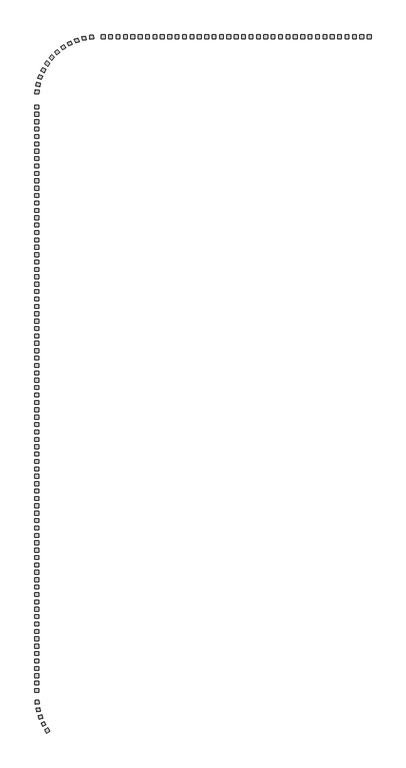
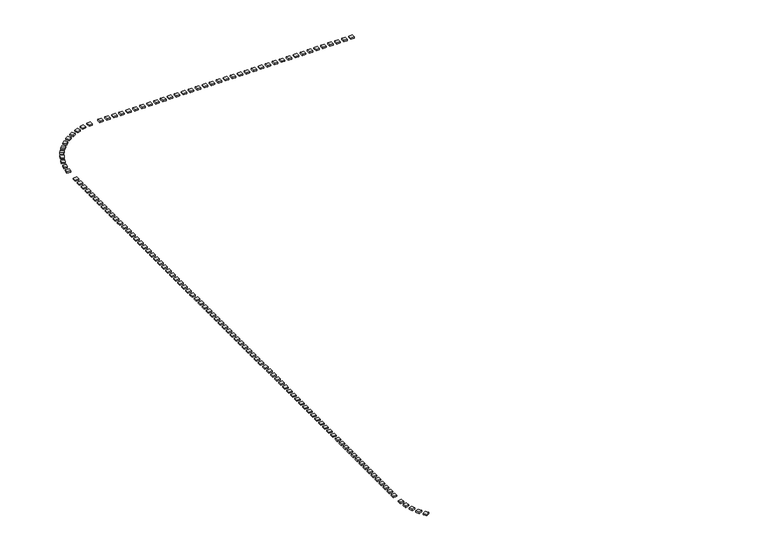
"""IFC4 building model written with IfcOpenShell, lengths in millimetres: railing geometry."""

from ifc_helpers import new_model, si_unit, origin, origin_with_axes, place, context, project, spatial, polyline, outline, extrude, source, transform, mapped, element, save


def railing_7d5e691c(model_context):
    return source(origin(), model_context, "Body", "SweptSolid", [
        extrude(outline(polyline([(-32631.1414863, -258754.0566268), (-32631.1414863, -259254.0566268), (-33131.1414863, -259254.0566268), (-33131.1414863, -258754.0566268), (-32631.1414863, -258754.0566268)])), origin_with_axes(), (0.0, 0.0, 1.0), 200.0),
        extrude(outline(polyline([(-33631.1414863, -258754.0566268), (-33631.1414863, -259254.0566268), (-34131.1414863, -259254.0566268), (-34131.1414863, -258754.0566268), (-33631.1414863, -258754.0566268)])), origin_with_axes(), (0.0, 0.0, 1.0), 200.0),
        extrude(outline(polyline([(-34631.1414863, -258754.0566268), (-34631.1414863, -259254.0566268), (-35131.1414863, -259254.0566268), (-35131.1414863, -258754.0566268), (-34631.1414863, -258754.0566268)])), origin_with_axes(), (0.0, 0.0, 1.0), 200.0),
        extrude(outline(polyline([(-35631.1414863, -258754.0566268), (-35631.1414863, -259254.0566268), (-36131.1414863, -259254.0566268), (-36131.1414863, -258754.0566268), (-35631.1414863, -258754.0566268)])), origin_with_axes(), (0.0, 0.0, 1.0), 200.0),
        extrude(outline(polyline([(-36631.1414863, -258754.0566268), (-36631.1414863, -259254.0566268), (-37131.1414863, -259254.0566268), (-37131.1414863, -258754.0566268), (-36631.1414863, -258754.0566268)])), origin_with_axes(), (0.0, 0.0, 1.0), 200.0),
        extrude(outline(polyline([(-37631.1414863, -258754.0566268), (-37631.1414863, -259254.0566268), (-38131.1414863, -259254.0566268), (-38131.1414863, -258754.0566268), (-37631.1414863, -258754.0566268)])), origin_with_axes(), (0.0, 0.0, 1.0), 200.0),
        extrude(outline(polyline([(-38631.1414863, -258754.0566268), (-38631.1414863, -259254.0566268), (-39131.1414863, -259254.0566268), (-39131.1414863, -258754.0566268), (-38631.1414863, -258754.0566268)])), origin_with_axes(), (0.0, 0.0, 1.0), 200.0),
        extrude(outline(polyline([(-39631.1414863, -258754.0566268), (-39631.1414863, -259254.0566268), (-40131.1414863, -259254.0566268), (-40131.1414863, -258754.0566268), (-39631.1414863, -258754.0566268)])), origin_with_axes(), (0.0, 0.0, 1.0), 200.0),
        extrude(outline(polyline([(-40631.1414863, -258754.0566268), (-40631.1414863, -259254.0566268), (-41131.1414863, -259254.0566268), (-41131.1414863, -258754.0566268), (-40631.1414863, -258754.0566268)])), origin_with_axes(), (0.0, 0.0, 1.0), 200.0),
        extrude(outline(polyline([(-41631.1414863, -258754.0566268), (-41631.1414863, -259254.0566268), (-42131.1414863, -259254.0566268), (-42131.1414863, -258754.0566268), (-41631.1414863, -258754.0566268)])), origin_with_axes(), (0.0, 0.0, 1.0), 200.0),
        extrude(outline(polyline([(-42631.1414863, -258754.0566268), (-42631.1414863, -259254.0566268), (-43131.1414863, -259254.0566268), (-43131.1414863, -258754.0566268), (-42631.1414863, -258754.0566268)])), origin_with_axes(), (0.0, 0.0, 1.0), 200.0),
        extrude(outline(polyline([(-43631.1414863, -258754.0566268), (-43631.1414863, -259254.0566268), (-44131.1414863, -259254.0566268), (-44131.1414863, -258754.0566268), (-43631.1414863, -258754.0566268)])), origin_with_axes(), (0.0, 0.0, 1.0), 200.0),
        extrude(outline(polyline([(-44631.1414863, -258754.0566268), (-44631.1414863, -259254.0566268), (-45131.1414863, -259254.0566268), (-45131.1414863, -258754.0566268), (-44631.1414863, -258754.0566268)])), origin_with_axes(), (0.0, 0.0, 1.0), 200.0),
        extrude(outline(polyline([(-45631.1414863, -258754.0566268), (-45631.1414863, -259254.0566268), (-46131.1414863, -259254.0566268), (-46131.1414863, -258754.0566268), (-45631.1414863, -258754.0566268)])), origin_with_axes(), (0.0, 0.0, 1.0), 200.0),
        extrude(outline(polyline([(-46631.1414863, -258754.0566268), (-46631.1414863, -259254.0566268), (-47131.1414863, -259254.0566268), (-47131.1414863, -258754.0566268), (-46631.1414863, -258754.0566268)])), origin_with_axes(), (0.0, 0.0, 1.0), 200.0),
        extrude(outline(polyline([(-47631.1414863, -258754.0566268), (-47631.1414863, -259254.0566268), (-48131.1414863, -259254.0566268), (-48131.1414863, -258754.0566268), (-47631.1414863, -258754.0566268)])), origin_with_axes(), (0.0, 0.0, 1.0), 200.0),
        extrude(outline(polyline([(-48631.1414863, -258754.0566268), (-48631.1414863, -259254.0566268), (-49131.1414863, -259254.0566268), (-49131.1414863, -258754.0566268), (-48631.1414863, -258754.0566268)])), origin_with_axes(), (0.0, 0.0, 1.0), 200.0),
        extrude(outline(polyline([(-49631.1414863, -258754.0566268), (-49631.1414863, -259254.0566268), (-50131.1414863, -259254.0566268), (-50131.1414863, -258754.0566268), (-49631.1414863, -258754.0566268)])), origin_with_axes(), (0.0, 0.0, 1.0), 200.0),
        extrude(outline(polyline([(-50631.1414863, -258754.0566268), (-50631.1414863, -259254.0566268), (-51131.1414863, -259254.0566268), (-51131.1414863, -258754.0566268), (-50631.1414863, -258754.0566268)])), origin_with_axes(), (0.0, 0.0, 1.0), 200.0),
        extrude(outline(polyline([(-51631.1414863, -258754.0566268), (-51631.1414863, -259254.0566268), (-52131.1414863, -259254.0566268), (-52131.1414863, -258754.0566268), (-51631.1414863, -258754.0566268)])), origin_with_axes(), (0.0, 0.0, 1.0), 200.0),
        extrude(outline(polyline([(-52631.1414863, -258754.0566268), (-52631.1414863, -259254.0566268), (-53131.1414863, -259254.0566268), (-53131.1414863, -258754.0566268), (-52631.1414863, -258754.0566268)])), origin_with_axes(), (0.0, 0.0, 1.0), 200.0),
        extrude(outline(polyline([(-53631.1414863, -258754.0566268), (-53631.1414863, -259254.0566268), (-54131.1414863, -259254.0566268), (-54131.1414863, -258754.0566268), (-53631.1414863, -258754.0566268)])), origin_with_axes(), (0.0, 0.0, 1.0), 200.0),
        extrude(outline(polyline([(-54631.1414863, -258754.0566268), (-54631.1414863, -259254.0566268), (-55131.1414863, -259254.0566268), (-55131.1414863, -258754.0566268), (-54631.1414863, -258754.0566268)])), origin_with_axes(), (0.0, 0.0, 1.0), 200.0),
        extrude(outline(polyline([(-55631.1414863, -258754.0566268), (-55631.1414863, -259254.0566268), (-56131.1414863, -259254.0566268), (-56131.1414863, -258754.0566268), (-55631.1414863, -258754.0566268)])), origin_with_axes(), (0.0, 0.0, 1.0), 200.0),
        extrude(outline(polyline([(-56631.1414863, -258754.0566268), (-56631.1414863, -259254.0566268), (-57131.1414863, -259254.0566268), (-57131.1414863, -258754.0566268), (-56631.1414863, -258754.0566268)])), origin_with_axes(), (0.0, 0.0, 1.0), 200.0),
        extrude(outline(polyline([(-57631.1414863, -258754.0566268), (-57631.1414863, -259254.0566268), (-58131.1414863, -259254.0566268), (-58131.1414863, -258754.0566268), (-57631.1414863, -258754.0566268)])), origin_with_axes(), (0.0, 0.0, 1.0), 200.0),
        extrude(outline(polyline([(-58631.1414863, -258754.0566268), (-58631.1414863, -259254.0566268), (-59131.1414863, -259254.0566268), (-59131.1414863, -258754.0566268), (-58631.1414863, -258754.0566268)])), origin_with_axes(), (0.0, 0.0, 1.0), 200.0),
        extrude(outline(polyline([(-59631.1414863, -258754.0566268), (-59631.1414863, -259254.0566268), (-60131.1414863, -259254.0566268), (-60131.1414863, -258754.0566268), (-59631.1414863, -258754.0566268)])), origin_with_axes(), (0.0, 0.0, 1.0), 200.0),
        extrude(outline(polyline([(-60631.1414863, -258754.0566268), (-60631.1414863, -259254.0566268), (-61131.1414863, -259254.0566268), (-61131.1414863, -258754.0566268), (-60631.1414863, -258754.0566268)])), origin_with_axes(), (0.0, 0.0, 1.0), 200.0),
        extrude(outline(polyline([(-61631.1414863, -258754.0566268), (-61631.1414863, -259254.0566268), (-62131.1414863, -259254.0566268), (-62131.1414863, -258754.0566268), (-61631.1414863, -258754.0566268)])), origin_with_axes(), (0.0, 0.0, 1.0), 200.0),
        extrude(outline(polyline([(-62631.1414863, -258754.0566268), (-62631.1414863, -259254.0566268), (-63131.1414863, -259254.0566268), (-63131.1414863, -258754.0566268), (-62631.1414863, -258754.0566268)])), origin_with_axes(), (0.0, 0.0, 1.0), 200.0),
        extrude(outline(polyline([(-63631.1414863, -258754.0566268), (-63631.1414863, -259254.0566268), (-64131.1414863, -259254.0566268), (-64131.1414863, -258754.0566268), (-63631.1414863, -258754.0566268)])), origin_with_axes(), (0.0, 0.0, 1.0), 200.0),
        extrude(outline(polyline([(-64631.1414863, -258754.0566268), (-64631.1414863, -259254.0566268), (-65131.1414863, -259254.0566268), (-65131.1414863, -258754.0566268), (-64631.1414863, -258754.0566268)])), origin_with_axes(), (0.0, 0.0, 1.0), 200.0),
        extrude(outline(polyline([(-65631.1414863, -258754.0566268), (-65631.1414863, -259254.0566268), (-66131.1414863, -259254.0566268), (-66131.1414863, -258754.0566268), (-65631.1414863, -258754.0566268)])), origin_with_axes(), (0.0, 0.0, 1.0), 200.0),
        extrude(outline(polyline([(-66631.1414863, -258754.0566268), (-66631.1414863, -259254.0566268), (-67131.1414863, -259254.0566268), (-67131.1414863, -258754.0566268), (-66631.1414863, -258754.0566268)])), origin_with_axes(), (0.0, 0.0, 1.0), 200.0),
        extrude(outline(polyline([(-67631.1414863, -258754.0566268), (-67631.1414863, -259254.0566268), (-68131.1414863, -259254.0566268), (-68131.1414863, -258754.0566268), (-67631.1414863, -258754.0566268)])), origin_with_axes(), (0.0, 0.0, 1.0), 200.0),
        extrude(outline(polyline([(-68631.1414863, -258754.0566268), (-68631.1414863, -259254.0566268), (-69131.1414863, -259254.0566268), (-69131.1414863, -258754.0566268), (-68631.1414863, -258754.0566268)])), origin_with_axes(), (0.0, 0.0, 1.0), 200.0),
        extrude(outline(polyline([(-70232.4077004, -258775.3492407), (-70197.0390996, -259274.096734), (-70695.7865929, -259309.4653348), (-70731.1551937, -258810.7178415), (-70232.4077004, -258775.3492407)])), origin_with_axes(), (0.0, 0.0, 1.0), 200.0),
        extrude(outline(polyline([(-71284.7970042, -258916.4656421), (-71187.5231502, -259406.9121706), (-71677.9696787, -259504.1860246), (-71775.2435327, -259013.7394961), (-71284.7970042, -258916.4656421)])), origin_with_axes(), (0.0, 0.0, 1.0), 200.0),
        extrude(outline(polyline([(-72311.3815666, -259187.6873623), (-72153.7203854, -259662.1796719), (-72628.2126951, -259819.8408531), (-72785.8738763, -259345.3485435), (-72311.3815666, -259187.6873623)])), origin_with_axes(), (0.0, 0.0, 1.0), 200.0),
        extrude(outline(polyline([(-73296.1418791, -259584.7820769), (-73080.5536207, -260035.915874), (-73531.6874177, -260251.5041324), (-73747.2756761, -259800.3703353), (-73296.1418791, -259584.7820769)])), origin_with_axes(), (0.0, 0.0, 1.0), 200.0),
        extrude(outline(polyline([(-74223.7110861, -260101.5532559), (-73953.5599332, -260522.2887483), (-74374.2954256, -260792.4399013), (-74644.4465785, -260371.7044089), (-74223.7110861, -260101.5532559)])), origin_with_axes(), (0.0, 0.0, 1.0), 200.0),
        extrude(outline(polyline([(-75079.6147807, -260729.9368578), (-74759.1163516, -261113.7086089), (-75142.8881027, -261434.207038), (-75463.3865318, -261050.4352869), (-75079.6147807, -260729.9368578)])), origin_with_axes(), (0.0, 0.0, 1.0), 200.0),
        extrude(outline(polyline([(-75850.4968717, -261460.1271666), (-75484.6524373, -261800.9465466), (-75825.4718173, -262166.790981), (-76191.3162517, -261825.971601), (-75850.4968717, -261460.1271666)])), origin_with_axes(), (0.0, 0.0, 1.0), 200.0),
        extrude(outline(polyline([(-76524.3280021, -262280.7298068), (-76118.8464423, -262573.2784433), (-76411.3950788, -262978.760003), (-76816.8766385, -262686.2113665), (-76524.3280021, -262280.7298068)])), origin_with_axes(), (0.0, 0.0, 1.0), 200.0),
        extrude(outline(polyline([(-77090.5932623, -263178.9395487), (-76651.8019814, -263418.652318), (-76891.5147507, -263857.4435989), (-77330.3060316, -263617.7308296), (-77090.5932623, -263178.9395487)])), origin_with_axes(), (0.0, 0.0, 1.0), 200.0),
        extrude(outline(polyline([(-77540.4562725, -264140.7401296), (-77075.2024616, -264323.8763941), (-77258.3387261, -264789.1302051), (-77723.5925371, -264605.9939405), (-77540.4562725, -264140.7401296)])), origin_with_axes(), (0.0, 0.0, 1.0), 200.0),
        extrude(outline(polyline([(-77866.8970708, -265151.1229731), (-77382.44086, -265274.8249527), (-77506.1428396, -265759.2811636), (-77990.5990504, -265635.579184), (-77866.8970708, -265151.1229731)])), origin_with_axes(), (0.0, 0.0, 1.0), 200.0),
        extrude(outline(polyline([(-78064.8216577, -266194.321393), (-77568.7228241, -266256.6587597), (-77631.0601908, -266752.7575933), (-78127.1590244, -266690.4202266), (-78064.8216577, -266194.321393)])), origin_with_axes(), (0.0, 0.0, 1.0), 200.0),
        extrude(outline(polyline([(-78131.1414863, -268254.0566268), (-77631.1414863, -268254.0566268), (-77631.1414863, -268754.0566268), (-78131.1414863, -268754.0566268), (-78131.1414863, -268254.0566268)])), origin_with_axes(), (0.0, 0.0, 1.0), 200.0),
        extrude(outline(polyline([(-78131.1414863, -269254.0566268), (-77631.1414863, -269254.0566268), (-77631.1414863, -269754.0566268), (-78131.1414863, -269754.0566268), (-78131.1414863, -269254.0566268)])), origin_with_axes(), (0.0, 0.0, 1.0), 200.0),
        extrude(outline(polyline([(-78131.1414863, -270254.0566268), (-77631.1414863, -270254.0566268), (-77631.1414863, -270754.0566268), (-78131.1414863, -270754.0566268), (-78131.1414863, -270254.0566268)])), origin_with_axes(), (0.0, 0.0, 1.0), 200.0),
        extrude(outline(polyline([(-78131.1414863, -271254.0566268), (-77631.1414863, -271254.0566268), (-77631.1414863, -271754.0566268), (-78131.1414863, -271754.0566268), (-78131.1414863, -271254.0566268)])), origin_with_axes(), (0.0, 0.0, 1.0), 200.0),
        extrude(outline(polyline([(-78131.1414863, -272254.0566268), (-77631.1414863, -272254.0566268), (-77631.1414863, -272754.0566268), (-78131.1414863, -272754.0566268), (-78131.1414863, -272254.0566268)])), origin_with_axes(), (0.0, 0.0, 1.0), 200.0),
        extrude(outline(polyline([(-78131.1414863, -273254.0566268), (-77631.1414863, -273254.0566268), (-77631.1414863, -273754.0566268), (-78131.1414863, -273754.0566268), (-78131.1414863, -273254.0566268)])), origin_with_axes(), (0.0, 0.0, 1.0), 200.0),
        extrude(outline(polyline([(-78131.1414863, -274254.0566268), (-77631.1414863, -274254.0566268), (-77631.1414863, -274754.0566268), (-78131.1414863, -274754.0566268), (-78131.1414863, -274254.0566268)])), origin_with_axes(), (0.0, 0.0, 1.0), 200.0),
        extrude(outline(polyline([(-78131.1414863, -275254.0566268), (-77631.1414863, -275254.0566268), (-77631.1414863, -275754.0566268), (-78131.1414863, -275754.0566268), (-78131.1414863, -275254.0566268)])), origin_with_axes(), (0.0, 0.0, 1.0), 200.0),
        extrude(outline(polyline([(-78131.1414863, -276254.0566268), (-77631.1414863, -276254.0566268), (-77631.1414863, -276754.0566268), (-78131.1414863, -276754.0566268), (-78131.1414863, -276254.0566268)])), origin_with_axes(), (0.0, 0.0, 1.0), 200.0),
        extrude(outline(polyline([(-78131.1414863, -277254.0566268), (-77631.1414863, -277254.0566268), (-77631.1414863, -277754.0566268), (-78131.1414863, -277754.0566268), (-78131.1414863, -277254.0566268)])), origin_with_axes(), (0.0, 0.0, 1.0), 200.0),
        extrude(outline(polyline([(-78131.1414863, -278254.0566268), (-77631.1414863, -278254.0566268), (-77631.1414863, -278754.0566268), (-78131.1414863, -278754.0566268), (-78131.1414863, -278254.0566268)])), origin_with_axes(), (0.0, 0.0, 1.0), 200.0),
        extrude(outline(polyline([(-78131.1414863, -279254.0566268), (-77631.1414863, -279254.0566268), (-77631.1414863, -279754.0566268), (-78131.1414863, -279754.0566268), (-78131.1414863, -279254.0566268)])), origin_with_axes(), (0.0, 0.0, 1.0), 200.0),
        extrude(outline(polyline([(-78131.1414863, -280254.0566268), (-77631.1414863, -280254.0566268), (-77631.1414863, -280754.0566268), (-78131.1414863, -280754.0566268), (-78131.1414863, -280254.0566268)])), origin_with_axes(), (0.0, 0.0, 1.0), 200.0),
        extrude(outline(polyline([(-78131.1414863, -281254.0566268), (-77631.1414863, -281254.0566268), (-77631.1414863, -281754.0566268), (-78131.1414863, -281754.0566268), (-78131.1414863, -281254.0566268)])), origin_with_axes(), (0.0, 0.0, 1.0), 200.0),
        extrude(outline(polyline([(-78131.1414863, -282254.0566268), (-77631.1414863, -282254.0566268), (-77631.1414863, -282754.0566268), (-78131.1414863, -282754.0566268), (-78131.1414863, -282254.0566268)])), origin_with_axes(), (0.0, 0.0, 1.0), 200.0),
        extrude(outline(polyline([(-78131.1414863, -283254.0566268), (-77631.1414863, -283254.0566268), (-77631.1414863, -283754.0566268), (-78131.1414863, -283754.0566268), (-78131.1414863, -283254.0566268)])), origin_with_axes(), (0.0, 0.0, 1.0), 200.0),
        extrude(outline(polyline([(-78131.1414863, -284254.0566268), (-77631.1414863, -284254.0566268), (-77631.1414863, -284754.0566268), (-78131.1414863, -284754.0566268), (-78131.1414863, -284254.0566268)])), origin_with_axes(), (0.0, 0.0, 1.0), 200.0),
        extrude(outline(polyline([(-78131.1414863, -285254.0566268), (-77631.1414863, -285254.0566268), (-77631.1414863, -285754.0566268), (-78131.1414863, -285754.0566268), (-78131.1414863, -285254.0566268)])), origin_with_axes(), (0.0, 0.0, 1.0), 200.0),
        extrude(outline(polyline([(-78131.1414863, -286254.0566268), (-77631.1414863, -286254.0566268), (-77631.1414863, -286754.0566268), (-78131.1414863, -286754.0566268), (-78131.1414863, -286254.0566268)])), origin_with_axes(), (0.0, 0.0, 1.0), 200.0),
        extrude(outline(polyline([(-78131.1414863, -287254.0566268), (-77631.1414863, -287254.0566268), (-77631.1414863, -287754.0566268), (-78131.1414863, -287754.0566268), (-78131.1414863, -287254.0566268)])), origin_with_axes(), (0.0, 0.0, 1.0), 200.0),
        extrude(outline(polyline([(-78131.1414863, -288254.0566268), (-77631.1414863, -288254.0566268), (-77631.1414863, -288754.0566268), (-78131.1414863, -288754.0566268), (-78131.1414863, -288254.0566268)])), origin_with_axes(), (0.0, 0.0, 1.0), 200.0),
        extrude(outline(polyline([(-78131.1414863, -289254.0566268), (-77631.1414863, -289254.0566268), (-77631.1414863, -289754.0566268), (-78131.1414863, -289754.0566268), (-78131.1414863, -289254.0566268)])), origin_with_axes(), (0.0, 0.0, 1.0), 200.0),
        extrude(outline(polyline([(-78131.1414863, -290254.0566268), (-77631.1414863, -290254.0566268), (-77631.1414863, -290754.0566268), (-78131.1414863, -290754.0566268), (-78131.1414863, -290254.0566268)])), origin_with_axes(), (0.0, 0.0, 1.0), 200.0),
        extrude(outline(polyline([(-78131.1414863, -291254.0566268), (-77631.1414863, -291254.0566268), (-77631.1414863, -291754.0566268), (-78131.1414863, -291754.0566268), (-78131.1414863, -291254.0566268)])), origin_with_axes(), (0.0, 0.0, 1.0), 200.0),
        extrude(outline(polyline([(-78131.1414863, -292254.0566268), (-77631.1414863, -292254.0566268), (-77631.1414863, -292754.0566268), (-78131.1414863, -292754.0566268), (-78131.1414863, -292254.0566268)])), origin_with_axes(), (0.0, 0.0, 1.0), 200.0),
        extrude(outline(polyline([(-78131.1414863, -293254.0566268), (-77631.1414863, -293254.0566268), (-77631.1414863, -293754.0566268), (-78131.1414863, -293754.0566268), (-78131.1414863, -293254.0566268)])), origin_with_axes(), (0.0, 0.0, 1.0), 200.0),
        extrude(outline(polyline([(-78131.1414863, -294254.0566268), (-77631.1414863, -294254.0566268), (-77631.1414863, -294754.0566268), (-78131.1414863, -294754.0566268), (-78131.1414863, -294254.0566268)])), origin_with_axes(), (0.0, 0.0, 1.0), 200.0),
        extrude(outline(polyline([(-78131.1414863, -295254.0566268), (-77631.1414863, -295254.0566268), (-77631.1414863, -295754.0566268), (-78131.1414863, -295754.0566268), (-78131.1414863, -295254.0566268)])), origin_with_axes(), (0.0, 0.0, 1.0), 200.0),
        extrude(outline(polyline([(-78131.1414863, -296254.0566268), (-77631.1414863, -296254.0566268), (-77631.1414863, -296754.0566268), (-78131.1414863, -296754.0566268), (-78131.1414863, -296254.0566268)])), origin_with_axes(), (0.0, 0.0, 1.0), 200.0),
        extrude(outline(polyline([(-78131.1414863, -297254.0566268), (-77631.1414863, -297254.0566268), (-77631.1414863, -297754.0566268), (-78131.1414863, -297754.0566268), (-78131.1414863, -297254.0566268)])), origin_with_axes(), (0.0, 0.0, 1.0), 200.0),
        extrude(outline(polyline([(-78131.1414863, -298254.0566268), (-77631.1414863, -298254.0566268), (-77631.1414863, -298754.0566268), (-78131.1414863, -298754.0566268), (-78131.1414863, -298254.0566268)])), origin_with_axes(), (0.0, 0.0, 1.0), 200.0),
        extrude(outline(polyline([(-78131.1414863, -299254.0566268), (-77631.1414863, -299254.0566268), (-77631.1414863, -299754.0566268), (-78131.1414863, -299754.0566268), (-78131.1414863, -299254.0566268)])), origin_with_axes(), (0.0, 0.0, 1.0), 200.0),
        extrude(outline(polyline([(-78131.1414863, -300254.0566268), (-77631.1414863, -300254.0566268), (-77631.1414863, -300754.0566268), (-78131.1414863, -300754.0566268), (-78131.1414863, -300254.0566268)])), origin_with_axes(), (0.0, 0.0, 1.0), 200.0),
        extrude(outline(polyline([(-78131.1414863, -301254.0566268), (-77631.1414863, -301254.0566268), (-77631.1414863, -301754.0566268), (-78131.1414863, -301754.0566268), (-78131.1414863, -301254.0566268)])), origin_with_axes(), (0.0, 0.0, 1.0), 200.0),
        extrude(outline(polyline([(-78131.1414863, -302254.0566268), (-77631.1414863, -302254.0566268), (-77631.1414863, -302754.0566268), (-78131.1414863, -302754.0566268), (-78131.1414863, -302254.0566268)])), origin_with_axes(), (0.0, 0.0, 1.0), 200.0),
        extrude(outline(polyline([(-78131.1414863, -303254.0566268), (-77631.1414863, -303254.0566268), (-77631.1414863, -303754.0566268), (-78131.1414863, -303754.0566268), (-78131.1414863, -303254.0566268)])), origin_with_axes(), (0.0, 0.0, 1.0), 200.0),
        extrude(outline(polyline([(-78131.1414863, -304254.0566268), (-77631.1414863, -304254.0566268), (-77631.1414863, -304754.0566268), (-78131.1414863, -304754.0566268), (-78131.1414863, -304254.0566268)])), origin_with_axes(), (0.0, 0.0, 1.0), 200.0),
        extrude(outline(polyline([(-78131.1414863, -305254.0566268), (-77631.1414863, -305254.0566268), (-77631.1414863, -305754.0566268), (-78131.1414863, -305754.0566268), (-78131.1414863, -305254.0566268)])), origin_with_axes(), (0.0, 0.0, 1.0), 200.0),
        extrude(outline(polyline([(-78131.1414863, -306254.0566268), (-77631.1414863, -306254.0566268), (-77631.1414863, -306754.0566268), (-78131.1414863, -306754.0566268), (-78131.1414863, -306254.0566268)])), origin_with_axes(), (0.0, 0.0, 1.0), 200.0),
        extrude(outline(polyline([(-78131.1414863, -307254.0566268), (-77631.1414863, -307254.0566268), (-77631.1414863, -307754.0566268), (-78131.1414863, -307754.0566268), (-78131.1414863, -307254.0566268)])), origin_with_axes(), (0.0, 0.0, 1.0), 200.0),
        extrude(outline(polyline([(-78131.1414863, -308254.0566268), (-77631.1414863, -308254.0566268), (-77631.1414863, -308754.0566268), (-78131.1414863, -308754.0566268), (-78131.1414863, -308254.0566268)])), origin_with_axes(), (0.0, 0.0, 1.0), 200.0),
        extrude(outline(polyline([(-78131.1414863, -309254.0566268), (-77631.1414863, -309254.0566268), (-77631.1414863, -309754.0566268), (-78131.1414863, -309754.0566268), (-78131.1414863, -309254.0566268)])), origin_with_axes(), (0.0, 0.0, 1.0), 200.0),
        extrude(outline(polyline([(-78131.1414863, -310254.0566268), (-77631.1414863, -310254.0566268), (-77631.1414863, -310754.0566268), (-78131.1414863, -310754.0566268), (-78131.1414863, -310254.0566268)])), origin_with_axes(), (0.0, 0.0, 1.0), 200.0),
        extrude(outline(polyline([(-78131.1414863, -311254.0566268), (-77631.1414863, -311254.0566268), (-77631.1414863, -311754.0566268), (-78131.1414863, -311754.0566268), (-78131.1414863, -311254.0566268)])), origin_with_axes(), (0.0, 0.0, 1.0), 200.0),
        extrude(outline(polyline([(-78131.1414863, -312254.0566268), (-77631.1414863, -312254.0566268), (-77631.1414863, -312754.0566268), (-78131.1414863, -312754.0566268), (-78131.1414863, -312254.0566268)])), origin_with_axes(), (0.0, 0.0, 1.0), 200.0),
        extrude(outline(polyline([(-78131.1414863, -313254.0566268), (-77631.1414863, -313254.0566268), (-77631.1414863, -313754.0566268), (-78131.1414863, -313754.0566268), (-78131.1414863, -313254.0566268)])), origin_with_axes(), (0.0, 0.0, 1.0), 200.0),
        extrude(outline(polyline([(-78131.1414863, -314254.0566268), (-77631.1414863, -314254.0566268), (-77631.1414863, -314754.0566268), (-78131.1414863, -314754.0566268), (-78131.1414863, -314254.0566268)])), origin_with_axes(), (0.0, 0.0, 1.0), 200.0),
        extrude(outline(polyline([(-78131.1414863, -315254.0566268), (-77631.1414863, -315254.0566268), (-77631.1414863, -315754.0566268), (-78131.1414863, -315754.0566268), (-78131.1414863, -315254.0566268)])), origin_with_axes(), (0.0, 0.0, 1.0), 200.0),
        extrude(outline(polyline([(-78131.1414863, -316254.0566268), (-77631.1414863, -316254.0566268), (-77631.1414863, -316754.0566268), (-78131.1414863, -316754.0566268), (-78131.1414863, -316254.0566268)])), origin_with_axes(), (0.0, 0.0, 1.0), 200.0),
        extrude(outline(polyline([(-78131.1414863, -317254.0566268), (-77631.1414863, -317254.0566268), (-77631.1414863, -317754.0566268), (-78131.1414863, -317754.0566268), (-78131.1414863, -317254.0566268)])), origin_with_axes(), (0.0, 0.0, 1.0), 200.0),
        extrude(outline(polyline([(-78131.1414863, -318254.0566268), (-77631.1414863, -318254.0566268), (-77631.1414863, -318754.0566268), (-78131.1414863, -318754.0566268), (-78131.1414863, -318254.0566268)])), origin_with_axes(), (0.0, 0.0, 1.0), 200.0),
        extrude(outline(polyline([(-78131.1414863, -319254.0566268), (-77631.1414863, -319254.0566268), (-77631.1414863, -319754.0566268), (-78131.1414863, -319754.0566268), (-78131.1414863, -319254.0566268)])), origin_with_axes(), (0.0, 0.0, 1.0), 200.0),
        extrude(outline(polyline([(-78131.1414863, -320254.0566268), (-77631.1414863, -320254.0566268), (-77631.1414863, -320754.0566268), (-78131.1414863, -320754.0566268), (-78131.1414863, -320254.0566268)])), origin_with_axes(), (0.0, 0.0, 1.0), 200.0),
        extrude(outline(polyline([(-78131.1414863, -321254.0566268), (-77631.1414863, -321254.0566268), (-77631.1414863, -321754.0566268), (-78131.1414863, -321754.0566268), (-78131.1414863, -321254.0566268)])), origin_with_axes(), (0.0, 0.0, 1.0), 200.0),
        extrude(outline(polyline([(-78131.1414863, -322254.0566268), (-77631.1414863, -322254.0566268), (-77631.1414863, -322754.0566268), (-78131.1414863, -322754.0566268), (-78131.1414863, -322254.0566268)])), origin_with_axes(), (0.0, 0.0, 1.0), 200.0),
        extrude(outline(polyline([(-78131.1414863, -323254.0566268), (-77631.1414863, -323254.0566268), (-77631.1414863, -323754.0566268), (-78131.1414863, -323754.0566268), (-78131.1414863, -323254.0566268)])), origin_with_axes(), (0.0, 0.0, 1.0), 200.0),
        extrude(outline(polyline([(-78131.1414863, -324254.0566268), (-77631.1414863, -324254.0566268), (-77631.1414863, -324754.0566268), (-78131.1414863, -324754.0566268), (-78131.1414863, -324254.0566268)])), origin_with_axes(), (0.0, 0.0, 1.0), 200.0),
        extrude(outline(polyline([(-78131.1414863, -325254.0566268), (-77631.1414863, -325254.0566268), (-77631.1414863, -325754.0566268), (-78131.1414863, -325754.0566268), (-78131.1414863, -325254.0566268)])), origin_with_axes(), (0.0, 0.0, 1.0), 200.0),
        extrude(outline(polyline([(-78131.1414863, -326254.0566268), (-77631.1414863, -326254.0566268), (-77631.1414863, -326754.0566268), (-78131.1414863, -326754.0566268), (-78131.1414863, -326254.0566268)])), origin_with_axes(), (0.0, 0.0, 1.0), 200.0),
        extrude(outline(polyline([(-78131.1414863, -327254.0566268), (-77631.1414863, -327254.0566268), (-77631.1414863, -327754.0566268), (-78131.1414863, -327754.0566268), (-78131.1414863, -327254.0566268)])), origin_with_axes(), (0.0, 0.0, 1.0), 200.0),
        extrude(outline(polyline([(-78131.1414863, -328254.0566268), (-77631.1414863, -328254.0566268), (-77631.1414863, -328754.0566268), (-78131.1414863, -328754.0566268), (-78131.1414863, -328254.0566268)])), origin_with_axes(), (0.0, 0.0, 1.0), 200.0),
        extrude(outline(polyline([(-78131.1414863, -329254.0566268), (-77631.1414863, -329254.0566268), (-77631.1414863, -329754.0566268), (-78131.1414863, -329754.0566268), (-78131.1414863, -329254.0566268)])), origin_with_axes(), (0.0, 0.0, 1.0), 200.0),
        extrude(outline(polyline([(-78131.1414863, -330254.0566268), (-77631.1414863, -330254.0566268), (-77631.1414863, -330754.0566268), (-78131.1414863, -330754.0566268), (-78131.1414863, -330254.0566268)])), origin_with_axes(), (0.0, 0.0, 1.0), 200.0),
        extrude(outline(polyline([(-78131.1414863, -331254.0566268), (-77631.1414863, -331254.0566268), (-77631.1414863, -331754.0566268), (-78131.1414863, -331754.0566268), (-78131.1414863, -331254.0566268)])), origin_with_axes(), (0.0, 0.0, 1.0), 200.0),
        extrude(outline(polyline([(-78131.1414863, -332254.0566268), (-77631.1414863, -332254.0566268), (-77631.1414863, -332754.0566268), (-78131.1414863, -332754.0566268), (-78131.1414863, -332254.0566268)])), origin_with_axes(), (0.0, 0.0, 1.0), 200.0),
        extrude(outline(polyline([(-78131.1414863, -333254.0566268), (-77631.1414863, -333254.0566268), (-77631.1414863, -333754.0566268), (-78131.1414863, -333754.0566268), (-78131.1414863, -333254.0566268)])), origin_with_axes(), (0.0, 0.0, 1.0), 200.0),
        extrude(outline(polyline([(-78131.1414863, -334254.0566268), (-77631.1414863, -334254.0566268), (-77631.1414863, -334754.0566268), (-78131.1414863, -334754.0566268), (-78131.1414863, -334254.0566268)])), origin_with_axes(), (0.0, 0.0, 1.0), 200.0),
        extrude(outline(polyline([(-78131.1414863, -335254.0566268), (-77631.1414863, -335254.0566268), (-77631.1414863, -335754.0566268), (-78131.1414863, -335754.0566268), (-78131.1414863, -335254.0566268)])), origin_with_axes(), (0.0, 0.0, 1.0), 200.0),
        extrude(outline(polyline([(-78131.1414863, -336254.0566268), (-77631.1414863, -336254.0566268), (-77631.1414863, -336754.0566268), (-78131.1414863, -336754.0566268), (-78131.1414863, -336254.0566268)])), origin_with_axes(), (0.0, 0.0, 1.0), 200.0),
        extrude(outline(polyline([(-78131.1414863, -337254.0566268), (-77631.1414863, -337254.0566268), (-77631.1414863, -337754.0566268), (-78131.1414863, -337754.0566268), (-78131.1414863, -337254.0566268)])), origin_with_axes(), (0.0, 0.0, 1.0), 200.0),
        extrude(outline(polyline([(-78131.1414863, -338254.0566268), (-77631.1414863, -338254.0566268), (-77631.1414863, -338754.0566268), (-78131.1414863, -338754.0566268), (-78131.1414863, -338254.0566268)])), origin_with_axes(), (0.0, 0.0, 1.0), 200.0),
        extrude(outline(polyline([(-78131.1414863, -339254.0566268), (-77631.1414863, -339254.0566268), (-77631.1414863, -339754.0566268), (-78131.1414863, -339754.0566268), (-78131.1414863, -339254.0566268)])), origin_with_axes(), (0.0, 0.0, 1.0), 200.0),
        extrude(outline(polyline([(-78131.1414863, -340254.0566268), (-77631.1414863, -340254.0566268), (-77631.1414863, -340754.0566268), (-78131.1414863, -340754.0566268), (-78131.1414863, -340254.0566268)])), origin_with_axes(), (0.0, 0.0, 1.0), 200.0),
        extrude(outline(polyline([(-78131.1414863, -341254.0566268), (-77631.1414863, -341254.0566268), (-77631.1414863, -341754.0566268), (-78131.1414863, -341754.0566268), (-78131.1414863, -341254.0566268)])), origin_with_axes(), (0.0, 0.0, 1.0), 200.0),
        extrude(outline(polyline([(-78131.1414863, -342254.0566268), (-77631.1414863, -342254.0566268), (-77631.1414863, -342754.0566268), (-78131.1414863, -342754.0566268), (-78131.1414863, -342254.0566268)])), origin_with_axes(), (0.0, 0.0, 1.0), 200.0),
        extrude(outline(polyline([(-78131.1414863, -343254.0566268), (-77631.1414863, -343254.0566268), (-77631.1414863, -343754.0566268), (-78131.1414863, -343754.0566268), (-78131.1414863, -343254.0566268)])), origin_with_axes(), (0.0, 0.0, 1.0), 200.0),
        extrude(outline(polyline([(-78131.1414863, -344254.0566268), (-77631.1414863, -344254.0566268), (-77631.1414863, -344754.0566268), (-78131.1414863, -344754.0566268), (-78131.1414863, -344254.0566268)])), origin_with_axes(), (0.0, 0.0, 1.0), 200.0),
        extrude(outline(polyline([(-78131.1414863, -345254.0566268), (-77631.1414863, -345254.0566268), (-77631.1414863, -345754.0566268), (-78131.1414863, -345754.0566268), (-78131.1414863, -345254.0566268)])), origin_with_axes(), (0.0, 0.0, 1.0), 200.0),
        extrude(outline(polyline([(-78131.1414863, -346254.0566268), (-77631.1414863, -346254.0566268), (-77631.1414863, -346754.0566268), (-78131.1414863, -346754.0566268), (-78131.1414863, -346254.0566268)])), origin_with_axes(), (0.0, 0.0, 1.0), 200.0),
        extrude(outline(polyline([(-78131.1414863, -347254.0566268), (-77631.1414863, -347254.0566268), (-77631.1414863, -347754.0566268), (-78131.1414863, -347754.0566268), (-78131.1414863, -347254.0566268)])), origin_with_axes(), (0.0, 0.0, 1.0), 200.0),
        extrude(outline(polyline([(-78109.8488724, -348855.322841), (-77611.1013791, -348819.9542401), (-77575.7327783, -349318.7017334), (-78074.4802716, -349354.0703343), (-78109.8488724, -348855.322841)])), origin_with_axes(), (0.0, 0.0, 1.0), 200.0),
        extrude(outline(polyline([(-77968.732471, -349907.7121447), (-77478.2859425, -349810.4382907), (-77381.0120885, -350300.8848192), (-77871.458617, -350398.1586732), (-77968.732471, -349907.7121447)])), origin_with_axes(), (0.0, 0.0, 1.0), 200.0),
        extrude(outline(polyline([(-77697.5107508, -350934.2967071), (-77223.0184411, -350776.6355259), (-77065.3572599, -351251.1278356), (-77539.8495696, -351408.7890168), (-77697.5107508, -350934.2967071)])), origin_with_axes(), (0.0, 0.0, 1.0), 200.0),
        extrude(outline(polyline([(-77300.4160361, -351919.0570196), (-76849.2822391, -351703.4687612), (-76633.6939807, -352154.6025582), (-77084.8277777, -352370.1908166), (-77300.4160361, -351919.0570196)])), origin_with_axes(), (0.0, 0.0, 1.0), 200.0),
        extrude(outline(polyline([(-76783.6448571, -352846.6262267), (-76362.9093647, -352576.4750737), (-76092.7582118, -352997.2105661), (-76513.4937042, -353267.3617191), (-76783.6448571, -352846.6262267)])), origin_with_axes(), (0.0, 0.0, 1.0), 200.0),
    ])


if __name__ == "__main__":
    model = new_model("IFC4")
    model_context = context("Model", 3, world=origin())
    ifc_project = project(units=[si_unit("LENGTHUNIT", "METRE", prefix="MILLI")], contexts=[model_context])
    site = spatial("IfcSite", under=ifc_project)
    building = spatial("IfcBuilding", under=site)
    placement = place(None, origin())
    railing_shape = railing_7d5e691c(model_context)
    element("IfcRailing", 1, at=placement, inside=building, context=model_context, shape_type="MappedRepresentation", body=[
        mapped(railing_shape, transform((0.0, 0.0, 0.0), x_axis=(1.0, 0.0, 0.0), y_axis=(0.0, 1.0, 0.0), z_axis=(0.0, 0.0, 1.0))),
    ])
    save(model, "model.ifc")
